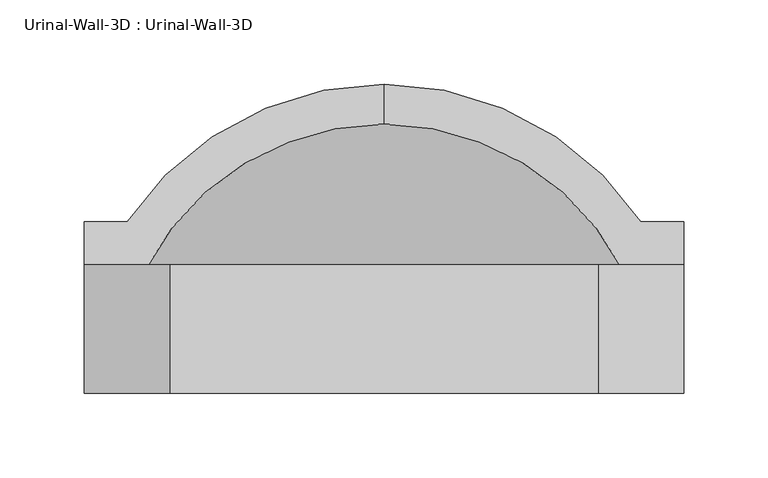
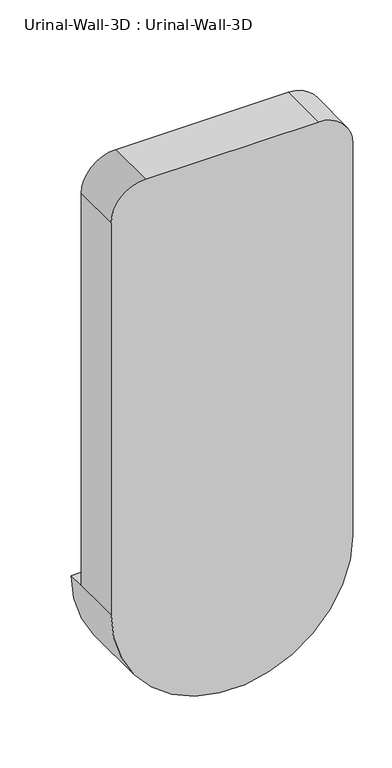
"""IFC4 building model written with IfcOpenShell, lengths in millimetres: flow terminal geometry, Urinal-Wall-3D : Urinal-Wall-3D."""

from ifc_helpers import new_model, si_unit, point, frame, origin, place, context, project, spatial, polyline, circle_curve, ellipse_curve, trimmed, source, transform, mapped, element, save
from ifc_brep_helpers import plane_surface, cylinder_surface, revolved_surface, advanced_brep


def urinal_wall_3d_urinal_wall_3d_df96684e(model_context):
    return source(origin(), model_context, "Body", "AdvancedBrep", [
        advanced_brep(
        [(-109.0745999, 279.9995048, 609.6), (-109.0745999, 256.2822043, 609.6), (43.3254001, 143.7081063, 609.6), (43.3254001, 173.0375, 609.6), (68.7254001, 173.0375, 609.6), (68.7254001, 198.4375, 609.6), (43.3254001, 198.4375, 609.6), (-261.4745999, 198.4375, 609.6), (-286.8745999, 198.4375, 609.6), (-286.8745999, 173.0375, 609.6), (-261.4745999, 173.0375, 609.6), (-261.4745999, 143.7081063, 609.6), (-261.4745999, 109.5375, 609.6), (43.3254001, 109.5375, 609.6), (-286.8745999, 96.8375, 609.6), (68.7254001, 96.8375, 609.6), (68.7254001, 96.8375, 1219.2), (17.9254001, 96.8375, 1270.0), (-236.0745999, 96.8375, 1270.0), (-286.8745999, 96.8375, 1219.2), (43.3254001, 173.0375, 1168.4), (-7.4745999, 173.0375, 1219.2), (-210.6745999, 173.0375, 1219.2), (-261.4745999, 173.0375, 1168.4), (-286.8745999, 173.0375, 1219.2), (-236.0745999, 173.0375, 1270.0), (17.9254001, 173.0375, 1270.0), (68.7254001, 173.0375, 1219.2), (43.3254001, 109.5375, 1168.4), (-7.4745999, 109.5375, 1219.2), (-210.6745999, 109.5375, 1219.2), (-261.4745999, 109.5375, 1168.4)],
        [
            (0, 1),
            (1, 2, circle_curve(frame((-109.0745999, 96.8375, 609.6), z_axis=(0.0, 0.0, -1.0), x_axis=(1.0, 0.0, 0.0)), 159.4447043)),
            (2, 3),
            (3, 4),
            (4, 5),
            (5, 6),
            (6, 0, circle_curve(frame((-109.0745999, 96.8375, 609.6), z_axis=(0.0, 0.0, 1.0), x_axis=(1.0, 0.0, 0.0)), 183.1620048)),
            (0, 7, circle_curve(frame((-109.0745999, 96.8375, 609.6), z_axis=(0.0, 0.0, 1.0), x_axis=(-1.0, 0.0, 0.0)), 183.1620048)),
            (7, 8),
            (8, 9),
            (9, 10),
            (10, 11),
            (11, 1, circle_curve(frame((-109.0745999, 96.8375, 609.6), z_axis=(0.0, 0.0, -1.0), x_axis=(-1.0, 0.0, 0.0)), 159.4447043)),
            (11, 2, circle_curve(frame((-109.0745999, 143.7081063, 609.6), z_axis=(0.0, -1.0, 0.0), x_axis=(1.0, 0.0, 0.0)), 152.4)),
            (11, 12),
            (12, 13, circle_curve(frame((-109.0745999, 109.5375, 609.6), z_axis=(0.0, -1.0, 0.0), x_axis=(1.0, 0.0, 0.0)), 152.4)),
            (13, 2),
            (14, 15, circle_curve(frame((-109.0745999, 96.8375, 609.6), z_axis=(0.0, -1.0, 0.0), x_axis=(1.0, 0.0, 0.0)), 177.8)),
            (15, 16),
            (16, 17, circle_curve(frame((17.9254001, 96.8375, 1219.2), z_axis=(0.0, -1.0, 0.0), x_axis=(-1.0, 0.0, 0.0)), 50.8)),
            (17, 18),
            (18, 19, circle_curve(frame((-236.0745999, 96.8375, 1219.2), z_axis=(0.0, -1.0, 0.0), x_axis=(-1.0, 0.0, 0.0)), 50.8)),
            (19, 14),
            (14, 9),
            (8, 5, circle_curve(frame((-109.0745999, 198.4375, 609.6), z_axis=(0.0, -1.0, 0.0), x_axis=(1.0, 0.0, 0.0)), 177.8)),
            (4, 15),
            (7, 6, circle_curve(frame((-109.0745999, 198.4375, 609.6), z_axis=(0.0, -1.0, 0.0), x_axis=(1.0, 0.0, 0.0)), 152.4)),
            (3, 20),
            (20, 21, circle_curve(frame((-7.4745999, 173.0375, 1168.4), z_axis=(0.0, -1.0, 0.0), x_axis=(-1.0, 0.0, 0.0)), 50.8)),
            (21, 22),
            (22, 23, circle_curve(frame((-210.6745999, 173.0375, 1168.4), z_axis=(0.0, -1.0, 0.0), x_axis=(-1.0, 0.0, 0.0)), 50.8)),
            (23, 10),
            (9, 24),
            (24, 25, circle_curve(frame((-236.0745999, 173.0375, 1219.2), z_axis=(0.0, 1.0, 0.0), x_axis=(-1.0, 0.0, 0.0)), 50.8)),
            (25, 26),
            (26, 27, circle_curve(frame((17.9254001, 173.0375, 1219.2), z_axis=(0.0, 1.0, 0.0), x_axis=(-1.0, 0.0, 0.0)), 50.8)),
            (27, 4),
            (13, 28),
            (28, 20),
            (28, 29, circle_curve(frame((-7.4745999, 109.5375, 1168.4), z_axis=(0.0, -1.0, 0.0), x_axis=(-1.0, 0.0, 0.0)), 50.8)),
            (29, 21),
            (29, 30),
            (30, 22),
            (30, 31, circle_curve(frame((-210.6745999, 109.5375, 1168.4), z_axis=(0.0, -1.0, 0.0), x_axis=(-1.0, 0.0, 0.0)), 50.8)),
            (31, 23),
            (31, 12),
            (19, 24),
            (18, 25),
            (17, 26),
            (16, 27),
        ],
        [
            plane_surface(frame((-109.0745999, 386.0479173, 609.6), z_axis=(0.0, 0.0, 1.0), x_axis=(1.0, 0.0, 0.0))),
            plane_surface(frame((-109.0745999, 386.0479173, 609.6), z_axis=(0.0, 0.0, 1.0), x_axis=(-1.0, 0.0, 0.0))),
            revolved_surface(trimmed(ellipse_curve(frame((-109.0745999, 96.8375, 609.6), z_axis=(0.0, 0.0, -1.0), x_axis=(1.0, 0.0, 0.0)), 159.4447043, 159.4447043), [point((-109.0745999, 256.2822043, 609.6))], [point((43.3254001, 143.7081063, 609.6))], True, "CARTESIAN"), (-109.0745999, 386.0479173, 609.6), (0.0, 1.0, 0.0)),
            revolved_surface(polyline([(43.32540010000001, 143.7081063, 609.6), (43.32540010000001, 109.53750000000002, 609.6)]), (-109.0745999, 386.0479173, 609.6), (0.0, 1.0, 0.0)),
            plane_surface(frame((-109.0745999, 96.8375, 609.6), z_axis=(0.0, -1.0, 0.0), x_axis=(1.0, 0.0, 0.0))),
            cylinder_surface(frame((-109.0745999, 386.0479173, 609.6), z_axis=(0.0, 1.0, 0.0), x_axis=(1.0, 0.0, 0.0)), 177.8),
            plane_surface(frame((-109.0745999, 198.4375, 609.6), z_axis=(0.0, 1.0, 0.0), x_axis=(1.0, 0.0, 0.0))),
            revolved_surface(trimmed(ellipse_curve(frame((-109.0745999, 96.8375, 609.6), z_axis=(0.0, 0.0, 1.0), x_axis=(1.0, 0.0, 0.0)), 183.1620048, 183.1620048), [point((43.3254001, 198.4375, 609.6))], [point((-109.0745999, 279.9995048, 609.6))], True, "CARTESIAN"), (-109.0745999, 386.0479173, 609.6), (0.0, 1.0, 0.0)),
            plane_surface(frame((43.3254001, 173.0375, 609.6), z_axis=(0.0, 1.0, 0.0), x_axis=(0.0, 0.0, 1.0))),
            plane_surface(frame((43.3254001, 173.0375, 609.6), z_axis=(-1.0, 0.0, 0.0), x_axis=(0.0, -1.0, 0.0))),
            revolved_surface(polyline([(-58.2745999, 109.5375, 1168.4), (-58.2745999, 173.0375, 1168.4)]), (-7.4745999, 96.8375, 1168.4), (0.0, -1.0, 0.0)),
            plane_surface(frame((-7.4745999, 173.0375, 1219.2), z_axis=(0.0, 0.0, -1.0), x_axis=(0.0, -1.0, 0.0))),
            revolved_surface(polyline([(-261.4745999, 109.5375, 1168.4), (-261.4745999, 173.0375, 1168.4)]), (-210.6745999, 96.8375, 1168.4), (0.0, -1.0, 0.0)),
            plane_surface(frame((-261.4745999, 173.0375, 1168.4), z_axis=(1.0, 0.0, 0.0), x_axis=(0.0, -1.0, 0.0))),
            plane_surface(frame((-286.8745999, 173.0375, 609.6), z_axis=(-1.0, 0.0, 0.0), x_axis=(0.0, -1.0, 0.0))),
            cylinder_surface(frame((-236.0745999, 96.8375, 1219.2), z_axis=(0.0, 1.0, 0.0), x_axis=(-1.0, 0.0, 0.0)), 50.8),
            plane_surface(frame((-236.0745999, 173.0375, 1270.0), z_axis=(0.0, 0.0, 1.0), x_axis=(0.0, -1.0, 0.0))),
            cylinder_surface(frame((17.9254001, 96.8375, 1219.2), z_axis=(0.0, 1.0, 0.0), x_axis=(-1.0, 0.0, 0.0)), 50.8),
            plane_surface(frame((68.7254001, 173.0375, 1219.2), z_axis=(1.0, 0.0, 0.0), x_axis=(0.0, -1.0, 0.0))),
            plane_surface(frame((43.3254001, 109.5375, 609.6), z_axis=(0.0, 1.0, 0.0), x_axis=(0.0, 0.0, -1.0))),
        ],
        [
            (0, [[1, 2, 3, 4, 5, 6, 7]]),
            (1, [[-1, 8, 9, 10, 11, 12, 13]]),
            (2, [[-2, -13, 14]]),
            (3, [[-14, 15, 16, 17]]),
            (4, [[18, 19, 20, 21, 22, 23]]),
            (5, [[-18, 24, -10, 25, -5, 26]]),
            (6, [[-6, -25, -9, 27]]),
            (7, [[-7, -27, -8]]),
            (8, [[28, 29, 30, 31, 32, -11, 33, 34, 35, 36, 37, -4]]),
            (9, [[-28, -3, -17, 38, 39]]),
            (10, [[-29, -39, 40, 41]]),
            (11, [[-30, -41, 42, 43]]),
            (12, [[-31, -43, 44, 45]]),
            (13, [[-32, -45, 46, -15, -12]]),
            (14, [[-33, -24, -23, 47]]),
            (15, [[-34, -47, -22, 48]]),
            (16, [[-35, -48, -21, 49]]),
            (17, [[-36, -49, -20, 50]]),
            (18, [[-37, -50, -19, -26]]),
            (19, [[-16, -46, -44, -42, -40, -38]]),
        ],
    ),
    ])


if __name__ == "__main__":
    model = new_model("IFC4")
    model_context = context("Model", 3, world=origin())
    ifc_project = project(units=[si_unit("LENGTHUNIT", "METRE", prefix="MILLI")], contexts=[model_context])
    site = spatial("IfcSite", under=ifc_project)
    building = spatial("IfcBuilding", under=site)
    placement = place(None, origin())
    urinal_wall_3d_urinal_wall_3d_shape = urinal_wall_3d_urinal_wall_3d_df96684e(model_context)
    element("IfcFlowTerminal", 1, ObjectType="Urinal-Wall-3D : Urinal-Wall-3D", at=placement, inside=building, context=model_context, shape_type="MappedRepresentation", body=[
        mapped(urinal_wall_3d_urinal_wall_3d_shape, transform((0.0, 0.0, 0.0), x_axis=(1.0, 0.0, 0.0), y_axis=(0.0, 1.0, 0.0), z_axis=(0.0, 0.0, 1.0))),
    ])
    save(model, "model.ifc")
